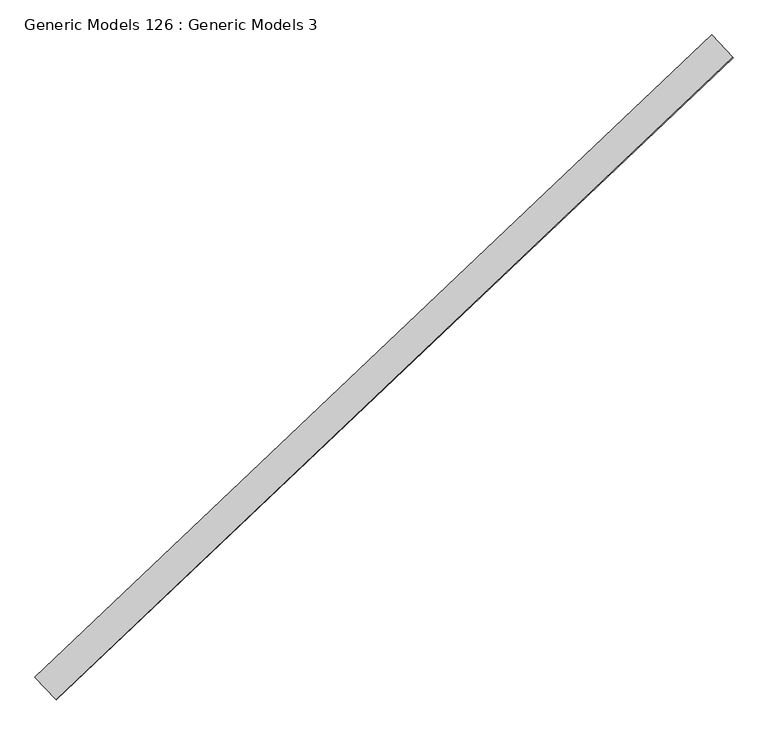
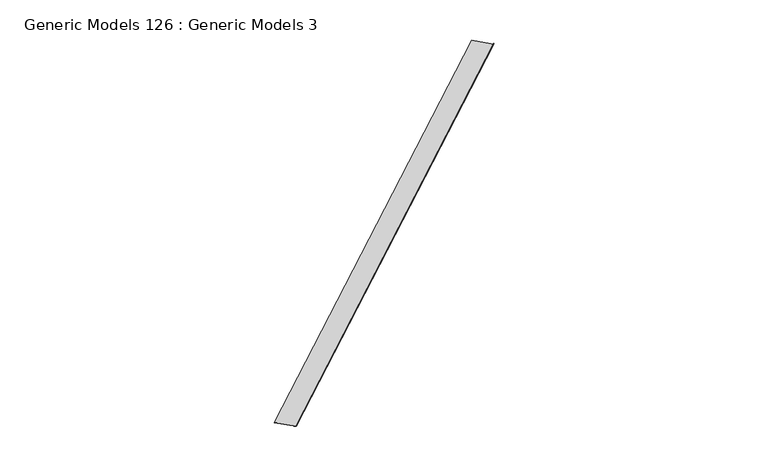
"""IFC4 building model written with IfcOpenShell, lengths in millimetres: proxy geometry, Generic Models 126 : Generic Models 3."""

from ifc_helpers import new_model, si_unit, frame, origin, place, context, project, spatial, polyline, outline, extrude, source, transform, mapped, element, save


def generic_models_126_generic_models_3_4c2291e9(model_context):
    return source(origin(), model_context, "Body", "SweptSolid", [
        extrude(outline(polyline([(0.0, -179.2007563), (-7.4390881, -179.2007563), (-7.4390881, -178.4070063), (-0.79375, -178.4070063), (-0.79375, -27.6512321), (0.0, -27.6512321), (0.0, -179.2007563)])), frame((101947.9300259, 54996.8143381, 18708.0623718), z_axis=(0.7253743710122779, 0.6883545756937643, 0.0), x_axis=(4.337021368488407e-12, -4.570266921031803e-12, -1.0)), (0.0, 0.0, 1.0), 4530.725),
    ])


if __name__ == "__main__":
    model = new_model("IFC4")
    model_context = context("Model", 3, world=origin())
    ifc_project = project(units=[si_unit("LENGTHUNIT", "METRE", prefix="MILLI")], contexts=[model_context])
    site = spatial("IfcSite", under=ifc_project)
    building = spatial("IfcBuilding", under=site)
    placement = place(None, origin())
    generic_models_126_generic_models_3_shape = generic_models_126_generic_models_3_4c2291e9(model_context)
    element("IfcBuildingElementProxy", 1, Name="Generic Models 126 : Generic Models 3", ObjectType="Generic Models 126 : Generic Models 3", at=placement, inside=building, context=model_context, shape_type="MappedRepresentation", body=[
        mapped(generic_models_126_generic_models_3_shape, transform((0.0, 0.0, 0.0), x_axis=(1.0, 0.0, 0.0), y_axis=(0.0, 1.0, 0.0), z_axis=(0.0, 0.0, 1.0))),
    ])
    save(model, "model.ifc")
